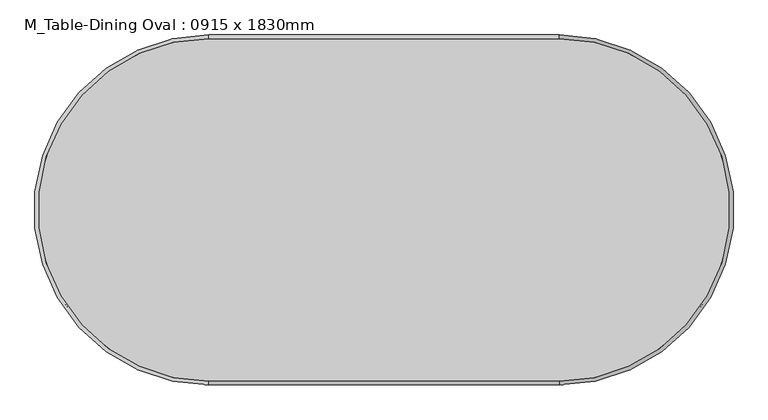
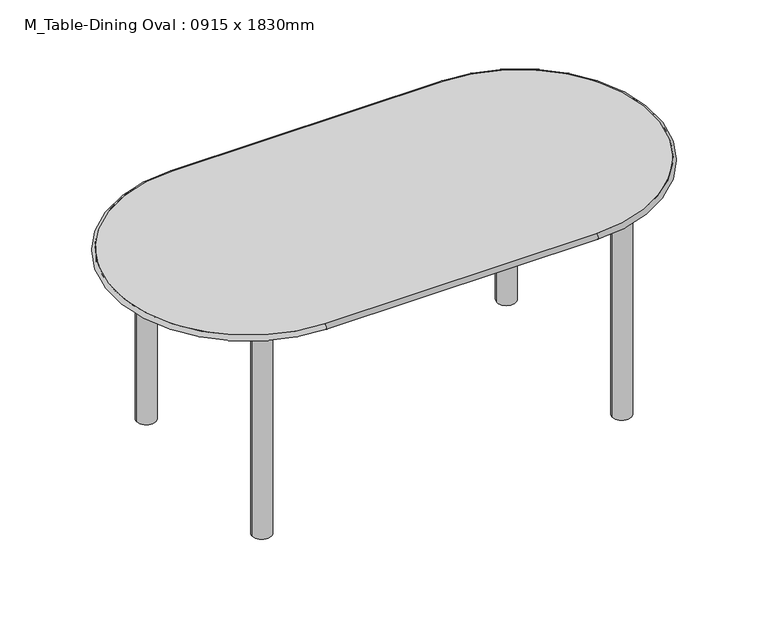
"""IFC4 building model written with IfcOpenShell, lengths in millimetres: furniture geometry, M_Table-Dining Oval : 0915 x 1830mm."""

from ifc_helpers import new_model, si_unit, point, frame, frame_2d, origin, origin_with_axes, place, context, project, spatial, polyline, circle_curve, ellipse_curve, trimmed, segment, composite_curve, outline, extrude, source, transform, mapped, element, save
from ifc_brep_helpers import plane_surface, cylinder_surface, revolved_surface, advanced_brep


def m_table_dining_oval_0915_x_1830mm_a7cfbe21(model_context):
    return source(origin(), model_context, "Body", "SolidModel", [
        advanced_brep(
        [(-859.3196721, -806.0733607, 762.0), (-859.3196721, -806.0733607, 742.95), (55.6803279, -806.0733607, 742.95), (55.6803279, -806.0733607, 762.0), (55.6803279, 89.8766393, 762.0), (55.6803279, 89.8766393, 742.95), (-859.3196721, 89.8766393, 742.95), (-859.3196721, 89.8766393, 762.0)],
        [
            (0, 1, circle_curve(frame((-859.3196721, -806.0733607, 752.475), z_axis=(1.0, 0.0, 0.0), x_axis=(0.0, 1.0, 0.0)), 9.525)),
            (1, 2),
            (2, 3, circle_curve(frame((55.6803279, -806.0733607, 752.475), z_axis=(-1.0, 0.0, 0.0), x_axis=(0.0, 1.0, 0.0)), 9.525)),
            (3, 0),
            (1, 0),
            (3, 2),
            (4, 3, circle_curve(frame((55.6803279, -358.0983607, 762.0), z_axis=(0.0, 0.0, -1.0), x_axis=(0.0, -1.0, 0.0)), 447.975)),
            (2, 5, circle_curve(frame((55.6803279, -358.0983607, 742.95), z_axis=(0.0, 0.0, 1.0), x_axis=(0.0, -1.0, 0.0)), 447.975)),
            (5, 4, circle_curve(frame((55.6803279, 89.8766393, 752.475), z_axis=(1.0, 0.0, 0.0), x_axis=(0.0, -1.0, 0.0)), 9.525)),
            (4, 5),
            (5, 6),
            (6, 7, circle_curve(frame((-859.3196721, 89.8766393, 752.475), z_axis=(1.0, 0.0, 0.0), x_axis=(0.0, -1.0, 0.0)), 9.525)),
            (7, 4),
            (7, 6),
            (0, 7, circle_curve(frame((-859.3196721, -358.0983607, 762.0), z_axis=(0.0, 0.0, -1.0), x_axis=(0.0, 1.0, 0.0)), 447.975)),
            (6, 1, circle_curve(frame((-859.3196721, -358.0983607, 742.95), z_axis=(0.0, 0.0, 1.0), x_axis=(0.0, 1.0, 0.0)), 447.975)),
        ],
        [
            cylinder_surface(frame((-859.3196721, -806.0733607, 752.475), z_axis=(-1.0, 0.0, 0.0), x_axis=(0.0, 1.0, 0.0)), 9.525),
            plane_surface(frame((-859.3196721, -806.0733607, 762.0), z_axis=(0.0, 1.0, 0.0), x_axis=(1.0, 0.0, 0.0))),
            revolved_surface(trimmed(ellipse_curve(frame((55.6803279, -806.0733607, 752.475), z_axis=(-1.0, 0.0, 0.0), x_axis=(0.0, 1.0, 0.0)), 9.525, 9.525), [point((55.6803279, -806.0733607, 742.95))], [point((55.6803279, -806.0733607, 762.0))], True, "CARTESIAN"), (55.6803279, -358.0983607, 0.0), (0.0, 0.0, 1.0)),
            revolved_surface(polyline([(55.6803279, -806.0733607, 762.0), (55.6803279, -806.0733607, 742.95)]), (55.6803279, -358.0983607, 0.0), (0.0, 0.0, 1.0)),
            cylinder_surface(frame((55.6803279, 89.8766393, 752.475), z_axis=(1.0, 0.0, 0.0), x_axis=(0.0, -1.0, 0.0)), 9.525),
            plane_surface(frame((55.6803279, 89.8766393, 762.0), z_axis=(0.0, -1.0, 0.0), x_axis=(-1.0, 0.0, 0.0))),
            revolved_surface(trimmed(ellipse_curve(frame((-859.3196721, 89.8766393, 752.475), z_axis=(1.0, 0.0, 0.0), x_axis=(0.0, -1.0, 0.0)), 9.525, 9.525), [point((-859.3196721, 89.8766393, 742.95))], [point((-859.3196721, 89.8766393, 762.0))], True, "CARTESIAN"), (-859.3196721, -358.0983607, 0.0), (0.0, 0.0, 1.0)),
            revolved_surface(polyline([(-859.3196721, 89.87663930000002, 762.0), (-859.3196721, 89.87663930000002, 742.95)]), (-859.3196721, -358.0983607, 0.0), (0.0, 0.0, 1.0)),
        ],
        [
            (0, [[1, 2, 3, 4]]),
            (1, [[5, -4, 6, -2]]),
            (2, [[7, -3, 8, 9]]),
            (3, [[-8, -6, -7, 10]]),
            (4, [[-9, 11, 12, 13]]),
            (5, [[-10, -13, 14, -11]]),
            (6, [[15, -12, 16, -1]]),
            (7, [[-16, -14, -15, -5]]),
        ],
    ),
        extrude(outline(composite_curve([segment(trimmed(circle_curve(frame_2d((-1008.5446721, -21.2483607)), 31.75), [point((-1040.2946721, -21.2483607))], [point((-976.7946721, -21.2483607))], False, "CARTESIAN"), True, "CONTINUOUS"), segment(trimmed(circle_curve(frame_2d((-1008.5446721, -21.2483607)), 31.75), [point((-976.7946721, -21.2483607))], [point((-1040.2946721, -21.2483607))], False, "CARTESIAN"), True, "CONTINUOUS")], self_intersect=False)), origin_with_axes(), (0.0, 0.0, 1.0), 742.95),
        extrude(outline(composite_curve([segment(trimmed(circle_curve(frame_2d((-1008.5446721, -694.9483607)), 31.75), [point((-1040.2946721, -694.9483607))], [point((-976.7946721, -694.9483607))], False, "CARTESIAN"), True, "CONTINUOUS"), segment(trimmed(circle_curve(frame_2d((-1008.5446721, -694.9483607)), 31.75), [point((-976.7946721, -694.9483607))], [point((-1040.2946721, -694.9483607))], False, "CARTESIAN"), True, "CONTINUOUS")], self_intersect=False)), origin_with_axes(), (0.0, 0.0, 1.0), 742.95),
        extrude(outline(composite_curve([segment(trimmed(circle_curve(frame_2d((204.9053279, -21.2483607)), 31.75), [point((173.1553279, -21.2483607))], [point((236.6553279, -21.2483607))], False, "CARTESIAN"), True, "CONTINUOUS"), segment(trimmed(circle_curve(frame_2d((204.9053279, -21.2483607)), 31.75), [point((236.6553279, -21.2483607))], [point((173.1553279, -21.2483607))], False, "CARTESIAN"), True, "CONTINUOUS")], self_intersect=False)), origin_with_axes(), (0.0, 0.0, 1.0), 742.95),
        extrude(outline(composite_curve([segment(trimmed(circle_curve(frame_2d((204.9053279, -694.9483607)), 31.75), [point((173.1553279, -694.9483607))], [point((236.6553279, -694.9483607))], False, "CARTESIAN"), True, "CONTINUOUS"), segment(trimmed(circle_curve(frame_2d((204.9053279, -694.9483607)), 31.75), [point((236.6553279, -694.9483607))], [point((173.1553279, -694.9483607))], False, "CARTESIAN"), True, "CONTINUOUS")], self_intersect=False)), origin_with_axes(), (0.0, 0.0, 1.0), 742.95),
        extrude(outline(polyline([(223.9553279, -2.1983607), (223.9553279, -713.9983607), (-1027.5946721, -713.9983607), (-1027.5946721, -2.1983607), (223.9553279, -2.1983607)]), holes=[polyline([(204.9053279, -21.2483607), (-1008.5446721, -21.2483607), (-1008.5446721, -694.9483607), (204.9053279, -694.9483607), (204.9053279, -21.2483607)])]), frame((0.0, 0.0, 692.15), z_axis=(0.0, 0.0, 1.0), x_axis=(1.0, 0.0, 0.0)), (0.0, 0.0, 1.0), 50.8),
        extrude(outline(composite_curve([segment(polyline([(-859.3196721, 89.8766393), (55.6803279, 89.8766393)]), True, "CONTINUOUS"), segment(trimmed(circle_curve(frame_2d((55.6803279, -358.0983607)), 447.975), [point((55.6803279, 89.8766393))], [point((503.6553279, -358.0983607))], False, "CARTESIAN"), True, "CONTINUOUS"), segment(trimmed(circle_curve(frame_2d((55.6803279, -358.0983607)), 447.975), [point((503.6553279, -358.0983607))], [point((55.6803279, -806.0733607))], False, "CARTESIAN"), True, "CONTINUOUS"), segment(polyline([(55.6803279, -806.0733607), (-859.3196721, -806.0733607)]), True, "CONTINUOUS"), segment(trimmed(circle_curve(frame_2d((-859.3196721, -358.0983607)), 447.975), [point((-859.3196721, -806.0733607))], [point((-1307.2946721, -358.0983607))], False, "CARTESIAN"), True, "CONTINUOUS"), segment(trimmed(circle_curve(frame_2d((-859.3196721, -358.0983607)), 447.975), [point((-1307.2946721, -358.0983607))], [point((-859.3196721, 89.8766393))], False, "CARTESIAN"), True, "CONTINUOUS")], self_intersect=False)), frame((0.0, 0.0, 742.95), z_axis=(0.0, 0.0, 1.0), x_axis=(1.0, 0.0, 0.0)), (0.0, 0.0, 1.0), 19.05),
    ])


if __name__ == "__main__":
    model = new_model("IFC4")
    model_context = context("Model", 3, world=origin())
    ifc_project = project(units=[si_unit("LENGTHUNIT", "METRE", prefix="MILLI")], contexts=[model_context])
    site = spatial("IfcSite", under=ifc_project)
    building = spatial("IfcBuilding", under=site)
    placement = place(None, origin())
    m_table_dining_oval_0915_x_1830mm_shape = m_table_dining_oval_0915_x_1830mm_a7cfbe21(model_context)
    element("IfcFurniture", 1, ObjectType="M_Table-Dining Oval : 0915 x 1830mm", at=placement, inside=building, context=model_context, shape_type="MappedRepresentation", body=[
        mapped(m_table_dining_oval_0915_x_1830mm_shape, transform((0.0, 0.0, 0.0), x_axis=(1.0, 0.0, 0.0), y_axis=(0.0, 1.0, 0.0), z_axis=(0.0, 0.0, 1.0))),
    ])
    save(model, "model.ifc")
